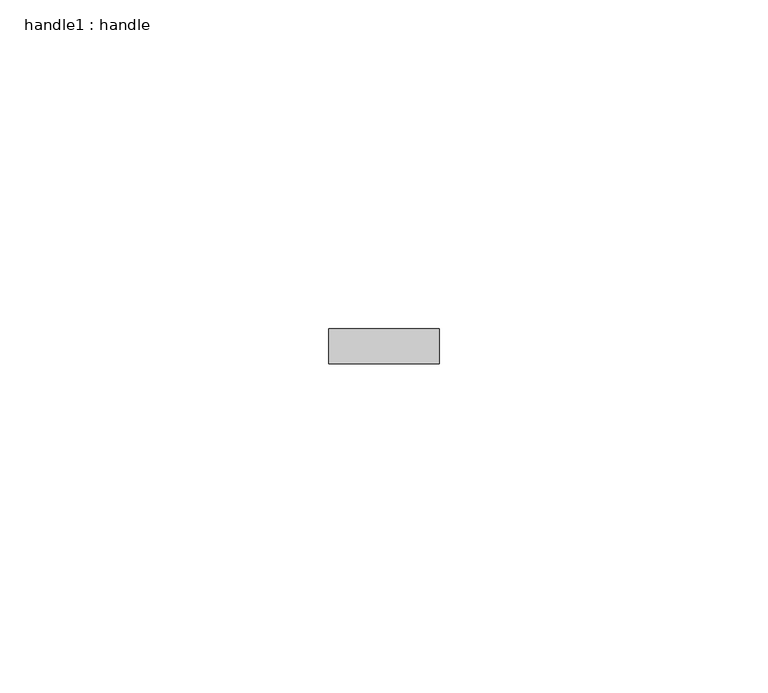
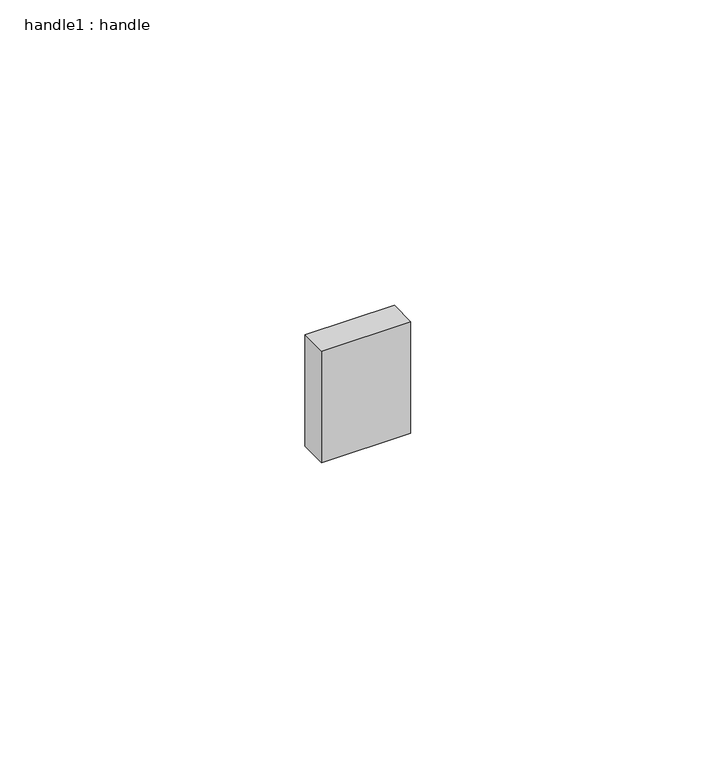
"""IFC4 building model written with IfcOpenShell, lengths in millimetres: proxy geometry, handle1 : handle."""

from ifc_helpers import new_model, si_unit, frame, origin, place, context, project, spatial, polyline, outline, extrude, source, transform, mapped, element, save


def handle1_handle_f3bf01bf(model_context):
    return source(origin(), model_context, "Body", "SweptSolid", [
        extrude(outline(polyline([(-288733.2708772, 3092.5831072), (-288733.2708772, 3087.210612), (-288750.1264397, 3087.210612), (-288750.1264397, 3092.5831072), (-288733.2708772, 3092.5831072)])), frame((0.0, 0.0, -2474.5049045), z_axis=(0.0, 0.0, 1.0), x_axis=(1.0, 0.0, 0.0)), (0.0, 0.0, 1.0), 22.2809353),
    ])


if __name__ == "__main__":
    model = new_model("IFC4")
    model_context = context("Model", 3, world=origin())
    ifc_project = project(units=[si_unit("LENGTHUNIT", "METRE", prefix="MILLI")], contexts=[model_context])
    site = spatial("IfcSite", under=ifc_project)
    building = spatial("IfcBuilding", under=site)
    placement = place(None, origin())
    handle1_handle_shape = handle1_handle_f3bf01bf(model_context)
    element("IfcBuildingElementProxy", 1, Name="handle1 : handle", ObjectType="handle1 : handle", at=placement, inside=building, context=model_context, shape_type="MappedRepresentation", body=[
        mapped(handle1_handle_shape, transform((0.0, 0.0, 0.0), x_axis=(1.0, 0.0, 0.0), y_axis=(0.0, 1.0, 0.0), z_axis=(0.0, 0.0, 1.0))),
    ])
    save(model, "model.ifc")
